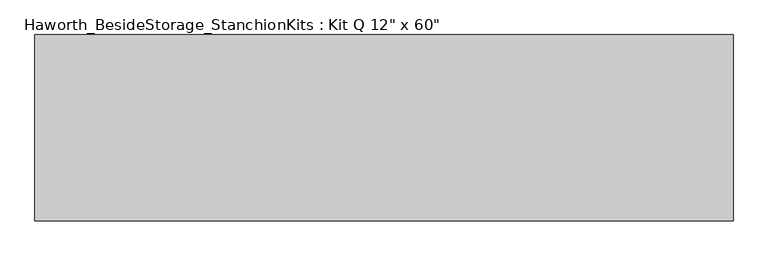
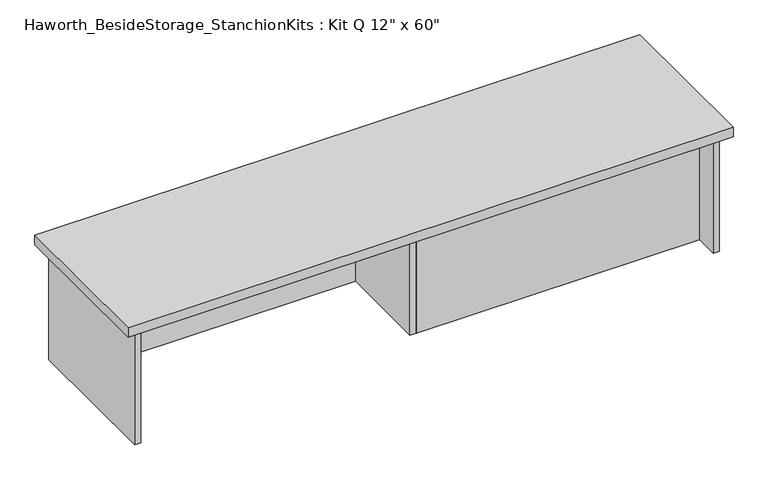
"""IFC4 building model written with IfcOpenShell, lengths in millimetres: furniture geometry."""

from ifc_helpers import new_model, si_unit, frame, origin, place, context, project, spatial, polyline, outline, extrude, source, transform, mapped, element, save


def furniture_6dae695c(model_context):
    return source(origin(), model_context, "Body", "SweptSolid", [
        extrude(outline(polyline([(923.925, 0.0), (-600.075, 0.0), (-600.075, 406.4), (923.925, 406.4), (923.925, 0.0)])), frame((0.0, 0.0, 736.6), z_axis=(0.0, 0.0, 1.0), x_axis=(1.0, 0.0, 0.0)), (0.0, 0.0, 1.0), 25.4),
        extrude(outline(polyline([(169.8625, 76.2), (169.8625, 92.075), (882.65, 92.075), (882.65, 76.2), (169.8625, 76.2)])), frame((0.0, 0.0, 431.8), z_axis=(0.0, 0.0, 1.0), x_axis=(1.0, 0.0, 0.0)), (0.0, 0.0, 1.0), 304.8),
        extrude(outline(polyline([(153.9875, 314.325), (-558.8, 314.325), (-558.8, 330.2), (153.9875, 330.2), (153.9875, 314.325)])), frame((0.0, 0.0, 431.8), z_axis=(0.0, 0.0, 1.0), x_axis=(1.0, 0.0, 0.0)), (0.0, 0.0, 1.0), 304.8),
        extrude(outline(polyline([(169.8625, 330.2), (169.8625, 76.2), (153.9875, 76.2), (153.9875, 330.2), (169.8625, 330.2)])), frame((0.0, 0.0, 431.8), z_axis=(0.0, 0.0, 1.0), x_axis=(1.0, 0.0, 0.0)), (0.0, 0.0, 1.0), 304.8),
        extrude(outline(polyline([(898.525, 390.525), (898.525, 15.875), (882.65, 15.875), (882.65, 390.525), (898.525, 390.525)])), frame((0.0, 0.0, 431.8), z_axis=(0.0, 0.0, 1.0), x_axis=(1.0, 0.0, 0.0)), (0.0, 0.0, 1.0), 304.8),
        extrude(outline(polyline([(-558.8, 390.525), (-558.8, 15.875), (-574.675, 15.875), (-574.675, 390.525), (-558.8, 390.525)])), frame((0.0, 0.0, 431.8), z_axis=(0.0, 0.0, 1.0), x_axis=(1.0, 0.0, 0.0)), (0.0, 0.0, 1.0), 304.8),
    ])


if __name__ == "__main__":
    model = new_model("IFC4")
    model_context = context("Model", 3, world=origin())
    ifc_project = project(units=[si_unit("LENGTHUNIT", "METRE", prefix="MILLI")], contexts=[model_context])
    site = spatial("IfcSite", under=ifc_project)
    building = spatial("IfcBuilding", under=site)
    placement = place(None, origin())
    furniture_shape = furniture_6dae695c(model_context)
    element("IfcFurniture", 1, ObjectType="Haworth_BesideStorage_StanchionKits : Kit Q 12\" x 60\"", at=placement, inside=building, context=model_context, shape_type="MappedRepresentation", body=[
        mapped(furniture_shape, transform((0.0, 0.0, 0.0), x_axis=(1.0, 0.0, 0.0), y_axis=(0.0, 1.0, 0.0), z_axis=(0.0, 0.0, 1.0))),
    ])
    save(model, "model.ifc")
